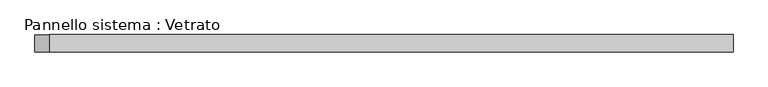
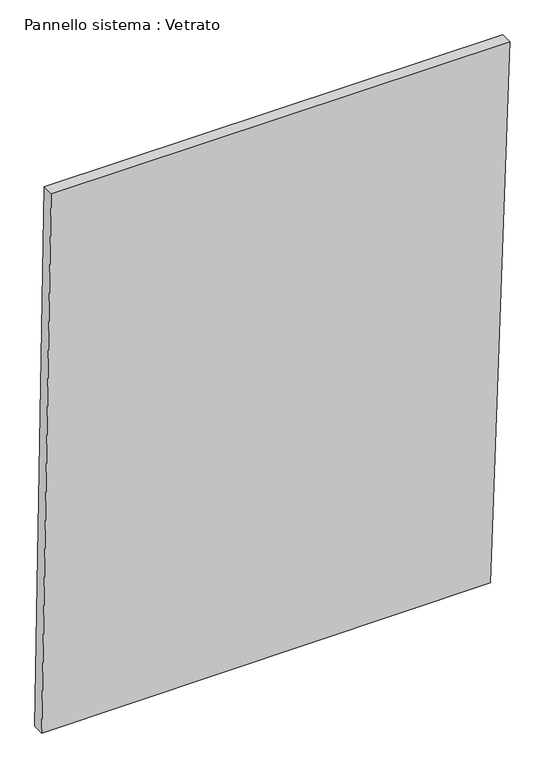
"""IFC4 building model written with IfcOpenShell, lengths in millimetres: plate geometry, Pannello sistema : Vetrato."""

import ifcopenshell
import ifcopenshell.guid

model = None  # the IFC model being written
_history = None  # IfcOwnerHistory: only IFC2X3 demands one
_inside = {}  # id of a spatial element -> (the spatial element, [elements in it])
_under = {}  # id of a project, library or spatial element -> (it, [spatial elements below it])
_declared = {}  # id of a project -> (the project, [libraries it declares])
_typed = {}  # id of a type object -> (the type object, [elements of that type])
_made_of = {}  # id of a material, layer set ... -> (it, [elements and type objects made of it])


def new_model(schema):
    """Start an empty IFC model of exactly this schema.

    Asked for "IFC4X3", IfcOpenShell would pick the latest addendum, in which some entities
    have other attributes; the version numbers below select the first issue.
    IFC2X3 requires an IfcOwnerHistory on every rooted entity: one is made here for all.
    """
    global model, _history
    if schema == "IFC4X3":
        model = ifcopenshell.file(schema_version=(4, 3, 0, 0))
    else:
        model = ifcopenshell.file(schema=schema)
    _inside.clear()
    _under.clear()
    _declared.clear()
    _typed.clear()
    _made_of.clear()
    _history = None
    if model.schema == "IFC2X3":
        org = make("IfcOrganization", Name="unknown")
        user = make(
            "IfcPersonAndOrganization",
            ThePerson=make("IfcPerson", FamilyName="unknown"),
            TheOrganization=org,
        )
        app = make(
            "IfcApplication",
            ApplicationDeveloper=org,
            Version="unknown",
            ApplicationFullName="unknown",
            ApplicationIdentifier="unknown",
        )
        _history = make(
            "IfcOwnerHistory",
            OwningUser=user,
            OwningApplication=app,
            ChangeAction="ADDED",
            CreationDate=0,
        )
    return model


def make(cls, **values):
    """One entity of the class cls with the attributes given. An attribute that is None is left unset."""
    return model.create_entity(
        cls, **{name: value for name, value in values.items() if value is not None}
    )


def rooted(cls, **values):
    """An entity with a GlobalId (a new one), such as an element, a storey or a relation."""
    return make(cls, GlobalId=ifcopenshell.guid.new(), OwnerHistory=_history, **values)


def si_unit(unit_type, name, prefix=None):
    """IfcSIUnit, for example si_unit("LENGTHUNIT", "METRE", prefix="MILLI")."""
    return make("IfcSIUnit", UnitType=unit_type, Prefix=prefix, Name=name)


def assignment(units):
    """IfcUnitAssignment: the units of a project."""
    return None if units is None else make("IfcUnitAssignment", Units=units)


def point(xyz):
    """IfcCartesianPoint."""
    return None if xyz is None else make("IfcCartesianPoint", Coordinates=xyz)


def direction(xyz):
    """IfcDirection."""
    return None if xyz is None else make("IfcDirection", DirectionRatios=xyz)


def frame(location, z_axis=None, x_axis=None):
    """IfcAxis2Placement3D, a coordinate frame: its origin and axes. An axis left out is left unset."""
    return make(
        "IfcAxis2Placement3D",
        Location=point(location),
        Axis=direction(z_axis),
        RefDirection=direction(x_axis),
    )


def origin():
    """The frame at (0, 0, 0) with its axes left unset."""
    return frame((0.0, 0.0, 0.0))


def place(relative_to, where):
    """IfcLocalPlacement: puts the frame where relative to a parent placement (None: the world)."""
    return make(
        "IfcLocalPlacement", PlacementRelTo=relative_to, RelativePlacement=where
    )


def context(
    kind, dimensions, precision=None, world=None, true_north=None, identifier=None
):
    """IfcGeometricRepresentationContext, for example the 3D "Model" context."""
    return make(
        "IfcGeometricRepresentationContext",
        ContextIdentifier=identifier,
        ContextType=kind,
        CoordinateSpaceDimension=dimensions,
        Precision=precision,
        WorldCoordinateSystem=world,
        TrueNorth=true_north,
    )


def project(units=None, contexts=None):
    """IfcProject with its units and contexts."""
    return rooted(
        "IfcProject",
        Name="project",
        RepresentationContexts=contexts,
        UnitsInContext=assignment(units),
    )


def spatial(cls, under=None, at=None, **own):
    """A site, building, storey or space (cls), placed at a placement, below another one or the project."""
    s = rooted(cls, ObjectPlacement=at, **own)
    if under is not None:
        _under.setdefault(under.id(), (under, []))[1].append(s)
    return s


def polyline(points):
    """IfcPolyline through the points."""
    return make("IfcPolyline", Points=[point(p) for p in points])


def outline(outer, holes=None, kind="AREA"):
    """IfcArbitraryClosedProfileDef: a profile drawn as a closed curve; with holes, ...WithVoids."""
    if holes is None:
        return make("IfcArbitraryClosedProfileDef", ProfileType=kind, OuterCurve=outer)
    return make(
        "IfcArbitraryProfileDefWithVoids",
        ProfileType=kind,
        OuterCurve=outer,
        InnerCurves=holes,
    )


def extrude(swept, where, along, depth):
    """IfcExtrudedAreaSolid: the profile swept, set in the frame where, extruded along a direction by depth."""
    return make(
        "IfcExtrudedAreaSolid",
        SweptArea=swept,
        Position=where,
        ExtrudedDirection=direction(along),
        Depth=depth,
    )


def shape(context_of_items, identifier, shape_type, items):
    """IfcShapeRepresentation: the items that make up one representation, for example the "Body"."""
    return make(
        "IfcShapeRepresentation",
        ContextOfItems=context_of_items,
        RepresentationIdentifier=identifier,
        RepresentationType=shape_type,
        Items=items,
    )


def source(mapping_origin, context_of_items, identifier, shape_type, items):
    """IfcRepresentationMap: a shape defined once, which mapped items show again and again."""
    return make(
        "IfcRepresentationMap",
        MappingOrigin=mapping_origin,
        MappedRepresentation=shape(context_of_items, identifier, shape_type, items),
    )


def transform(
    local_origin,
    x_axis=None,
    y_axis=None,
    z_axis=None,
    scale=None,
    scale2=None,
    scale3=None,
    uniform=True,
):
    """IfcCartesianTransformationOperator3D, or its non-uniform kind. x_axis, y_axis, z_axis: its Axis1, 2, 3."""
    if uniform:
        return make(
            "IfcCartesianTransformationOperator3D",
            Axis1=direction(x_axis),
            Axis2=direction(y_axis),
            LocalOrigin=point(local_origin),
            Scale=scale,
            Axis3=direction(z_axis),
        )
    return make(
        "IfcCartesianTransformationOperator3DnonUniform",
        Axis1=direction(x_axis),
        Axis2=direction(y_axis),
        LocalOrigin=point(local_origin),
        Scale=scale,
        Axis3=direction(z_axis),
        Scale2=scale2,
        Scale3=scale3,
    )


def mapped(mapping_source, mapping_target):
    """IfcMappedItem: shows the shape of a source again, moved by a transform."""
    return make(
        "IfcMappedItem", MappingSource=mapping_source, MappingTarget=mapping_target
    )


def made_of(thing, what):
    """Note that an element or type object is made of a material, layer set ...; save() writes the relation."""
    if what is not None:
        _made_of.setdefault(what.id(), (what, []))[1].append(thing)
    return thing


def element(
    cls,
    number,
    at=None,
    inside=None,
    cuts=None,
    type_object=None,
    material=None,
    context=None,
    identifier="Body",
    shape_type=None,
    held_by="IfcProductDefinitionShape",
    body=None,
    shapes=None,
    **own,
):
    """One element of the class cls, such as IfcWall. Its Tag is "e" and its number.

    at: its placement. inside: the storey or other place that contains it. cuts: it is an
    opening in that element (IfcRelVoidsElement). A single representation is given by context,
    identifier, shape_type and body (its items); several are given by shapes. held_by: the class
    of the entity that holds the representations. save() writes the other relations.
    """
    e = rooted(cls, Tag="e%d" % number, ObjectPlacement=at, **own)
    if body is not None:
        shapes = [shape(context, identifier, shape_type, body)]
    if shapes is not None:
        e.Representation = make(held_by, Representations=shapes)
    if inside is not None:
        _inside.setdefault(inside.id(), (inside, []))[1].append(e)
    if cuts is not None:
        rooted(
            "IfcRelVoidsElement", RelatingBuildingElement=cuts, RelatedOpeningElement=e
        )
    if type_object is not None:
        _typed.setdefault(type_object.id(), (type_object, []))[1].append(e)
    return made_of(e, material)


def aggregate(whole, parts):
    """IfcRelAggregates: a whole, such as a stair, and the parts it consists of."""
    return rooted("IfcRelAggregates", RelatingObject=whole, RelatedObjects=parts)


def save(model, path):
    """Write the relations noted so far, then the file.

    IfcRelAggregates (storeys below a building ...), IfcRelContainedInSpatialStructure (elements
    in a storey), IfcRelDefinesByType, IfcRelAssociatesMaterial and IfcRelDeclares: one each for
    every whole, place, type object, material and project.
    """
    for whole, parts in _under.values():
        aggregate(whole, parts)
    for where, things in _inside.values():
        rooted(
            "IfcRelContainedInSpatialStructure",
            RelatedElements=things,
            RelatingStructure=where,
        )
    for kind, things in _typed.values():
        rooted("IfcRelDefinesByType", RelatedObjects=things, RelatingType=kind)
    for what, things in _made_of.values():
        rooted("IfcRelAssociatesMaterial", RelatedObjects=things, RelatingMaterial=what)
    for by, libraries in _declared.values():
        rooted("IfcRelDeclares", RelatingContext=by, RelatedDefinitions=libraries)
    model.write(path)


def pannello_sistema_vetrato_0a8d682f(model_context):
    return source(origin(), model_context, "Body", "SweptSolid", [
        extrude(outline(polyline([(0.0, -606.706204), (5.1545835, 556.0412753), (1468.5278165, 606.706204), (1468.5278165, -582.2082137), (0.0, -606.706204)])), frame((0.0, -15.0, 0.0), z_axis=(0.0, 1.0, 0.0), x_axis=(0.0, 0.0, 1.0)), (0.0, 0.0, 1.0), 30.0),
    ])


if __name__ == "__main__":
    model = new_model("IFC4")
    model_context = context("Model", 3, world=origin())
    ifc_project = project(units=[si_unit("LENGTHUNIT", "METRE", prefix="MILLI")], contexts=[model_context])
    site = spatial("IfcSite", under=ifc_project)
    building = spatial("IfcBuilding", under=site)
    placement = place(None, origin())
    pannello_sistema_vetrato_shape = pannello_sistema_vetrato_0a8d682f(model_context)
    element("IfcPlate", 1, ObjectType="Pannello sistema : Vetrato", at=placement, inside=building, context=model_context, shape_type="MappedRepresentation", body=[
        mapped(pannello_sistema_vetrato_shape, transform((0.0, 0.0, 0.0), x_axis=(1.0, 0.0, 0.0), y_axis=(0.0, 1.0, 0.0), z_axis=(0.0, 0.0, 1.0))),
    ])
    save(model, "model.ifc")
